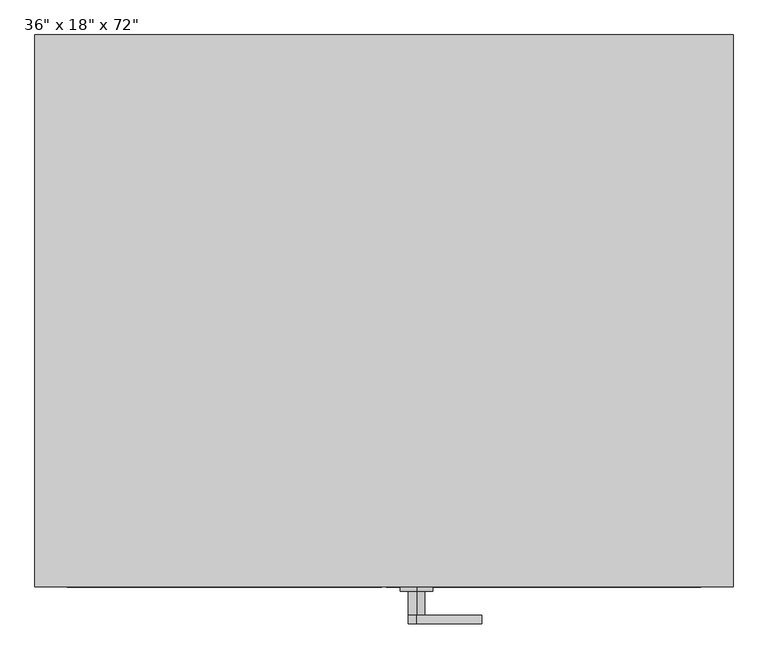
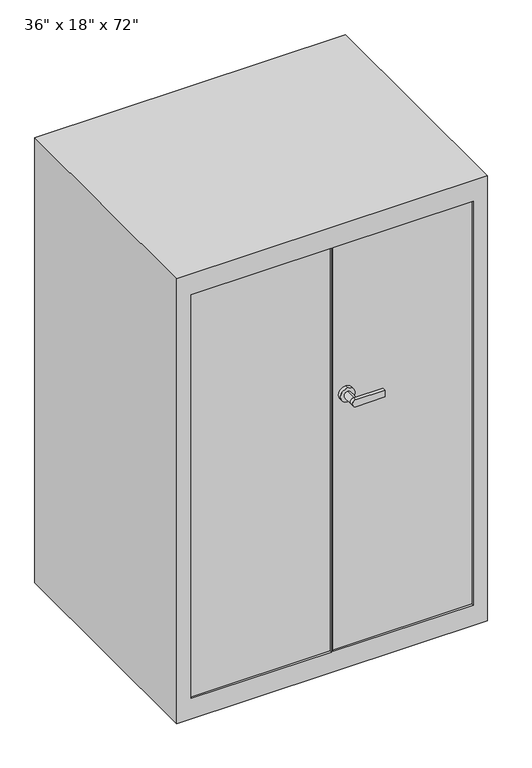
"""IFC4 building model written with IfcOpenShell, lengths in millimetres: furniture geometry."""

from ifc_helpers import new_model, si_unit, point, frame, frame_2d, origin, place, context, project, spatial, polyline, circle_curve, trimmed, segment, composite_curve, outline, extrude, faceted_brep, source, transform, mapped, element, save


def furniture_2dfb0197(model_context):
    return source(origin(), model_context, "Body", "SolidModel", [
        extrude(outline(composite_curve([segment(polyline([(1028.7, 152.5427411), (1028.7, 50.9427411)]), True, "CONTINUOUS"), segment(trimmed(circle_curve(frame_2d((1016.0, 50.9427411)), 12.7), [point((1028.7, 50.9427411))], [point((1003.3, 50.9427411))], False, "CARTESIAN"), True, "CONTINUOUS"), segment(polyline([(1003.3, 50.9427411), (1003.3, 152.5427411), (1028.7, 152.5427411)]), True, "CONTINUOUS")], self_intersect=False)), frame((0.0, -488.95, 0.0), z_axis=(0.0, 1.0, 0.0), x_axis=(0.0, 0.0, 1.0)), (0.0, 0.0, 1.0), 12.7),
        extrude(outline(composite_curve([segment(trimmed(circle_curve(frame_2d((1016.0, 50.9427411)), 12.7), [point((1028.7, 50.9427411))], [point((1003.3, 50.9427411))], False, "CARTESIAN"), True, "CONTINUOUS"), segment(trimmed(circle_curve(frame_2d((1016.0, 50.9427411)), 12.7), [point((1003.3, 50.9427411))], [point((1028.7, 50.9427411))], False, "CARTESIAN"), True, "CONTINUOUS")], self_intersect=False)), frame((0.0, -476.25, 0.0), z_axis=(0.0, 1.0, 0.0), x_axis=(0.0, 0.0, 1.0)), (0.0, 0.0, 1.0), 38.1),
        extrude(outline(composite_curve([segment(trimmed(circle_curve(frame_2d((1016.0, 50.9427411)), 25.4), [point((1041.4, 50.9427411))], [point((990.6, 50.9427411))], False, "CARTESIAN"), True, "CONTINUOUS"), segment(trimmed(circle_curve(frame_2d((1016.0, 50.9427411)), 25.4), [point((990.6, 50.9427411))], [point((1041.4, 50.9427411))], False, "CARTESIAN"), True, "CONTINUOUS")], self_intersect=False)), frame((0.0, -438.15, 0.0), z_axis=(0.0, 1.0, 0.0), x_axis=(0.0, 0.0, 1.0)), (0.0, 0.0, 1.0), 12.7),
        faceted_brep([(546.1, -431.8, 1651.0), (546.1, 431.8, 1651.0), (-546.1, 431.8, 1651.0), (-546.1, -431.8, 1651.0), (546.1, -431.8, 0.0), (-546.1, -431.8, 0.0), (-546.1, 431.8, 0.0), (546.1, 431.8, 0.0), (495.3, -431.8, 1574.8), (495.3, -431.8, 76.2), (3.175, -431.8, 76.2), (3.175, -431.8, 1574.8), (-495.3, -431.8, 1574.8), (-3.175, -431.8, 1574.8), (-3.175, -431.8, 76.2), (-495.3, -431.8, 76.2), (495.3, -425.45, 76.2), (495.3, -425.45, 1574.8), (3.175, -425.45, 1574.8), (3.175, -425.45, 76.2), (-3.175, -425.45, 1574.8), (-495.3, -425.45, 1574.8), (-495.3, -425.45, 76.2), (-3.175, -425.45, 76.2)], [[[0, 1, 2, 3]], [[4, 5, 6, 7]], [[1, 0, 4, 7]], [[2, 1, 7, 6]], [[3, 2, 6, 5]], [[0, 3, 5, 4], [8, 9, 10, 11], [12, 13, 14, 15]], [[16, 17, 18, 19]], [[17, 16, 9, 8]], [[18, 17, 8, 11]], [[19, 18, 11, 10]], [[16, 19, 10, 9]], [[20, 21, 22, 23]], [[21, 20, 13, 12]], [[22, 21, 12, 15]], [[23, 22, 15, 14]], [[20, 23, 14, 13]]]),
    ])


if __name__ == "__main__":
    model = new_model("IFC4")
    model_context = context("Model", 3, world=origin())
    ifc_project = project(units=[si_unit("LENGTHUNIT", "METRE", prefix="MILLI")], contexts=[model_context])
    site = spatial("IfcSite", under=ifc_project)
    building = spatial("IfcBuilding", under=site)
    placement = place(None, origin())
    furniture_shape = furniture_2dfb0197(model_context)
    element("IfcFurniture", 1, ObjectType="36\" x 18\" x 72\"", at=placement, inside=building, context=model_context, shape_type="MappedRepresentation", body=[
        mapped(furniture_shape, transform((0.0, 0.0, 0.0), x_axis=(1.0, 0.0, 0.0), y_axis=(0.0, 1.0, 0.0), z_axis=(0.0, 0.0, 1.0))),
    ])
    save(model, "model.ifc")
